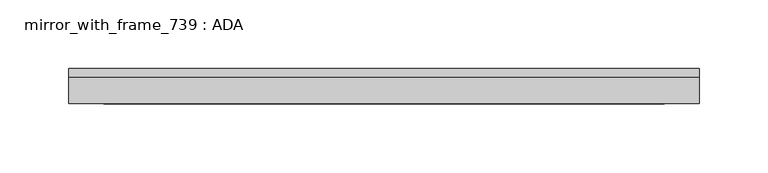
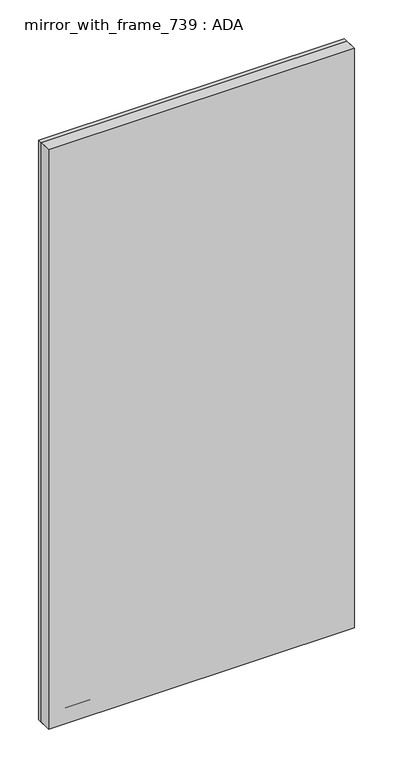
"""IFC4 building model written with IfcOpenShell, lengths in millimetres: proxy geometry, mirror_with_frame_739 : ADA."""

from ifc_helpers import new_model, si_unit, frame, origin, place, context, project, spatial, polyline, outline, extrude, source, transform, mapped, element, save


def mirror_with_frame_739_ada_790c580b(model_context):
    return source(origin(), model_context, "Body", "SweptSolid", [
        extrude(outline(polyline([(-204.1296989, 120.65), (253.0703011, 120.65), (253.0703011, 101.6), (-204.1296989, 101.6), (-204.1296989, 120.65)])), frame((0.0, 0.0, 1003.3), z_axis=(0.0, 0.0, 1.0), x_axis=(1.0, 0.0, 0.0)), (0.0, 0.0, 1.0), 914.4),
        extrude(outline(polyline([(1917.7, -204.1296989), (1003.3, -204.1296989), (1003.3, 253.0703011), (1917.7, 253.0703011), (1917.7, -204.1296989)]), holes=[polyline([(1028.7, 227.6703011), (1028.7, -178.7296989), (1892.3, -178.7296989), (1892.3, 227.6703011), (1028.7, 227.6703011)])]), frame((0.0, 101.6, 0.0), z_axis=(0.0, 1.0, 0.0), x_axis=(0.0, 0.0, 1.0)), (0.0, 0.0, 1.0), 25.4),
    ])


if __name__ == "__main__":
    model = new_model("IFC4")
    model_context = context("Model", 3, world=origin())
    ifc_project = project(units=[si_unit("LENGTHUNIT", "METRE", prefix="MILLI")], contexts=[model_context])
    site = spatial("IfcSite", under=ifc_project)
    building = spatial("IfcBuilding", under=site)
    placement = place(None, origin())
    mirror_with_frame_739_ada_shape = mirror_with_frame_739_ada_790c580b(model_context)
    element("IfcBuildingElementProxy", 1, Name="mirror_with_frame_739 : ADA", ObjectType="mirror_with_frame_739 : ADA", at=placement, inside=building, context=model_context, shape_type="MappedRepresentation", body=[
        mapped(mirror_with_frame_739_ada_shape, transform((0.0, 0.0, 0.0), x_axis=(1.0, 0.0, 0.0), y_axis=(0.0, 1.0, 0.0), z_axis=(0.0, 0.0, 1.0))),
    ])
    save(model, "model.ifc")
